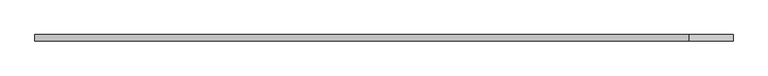
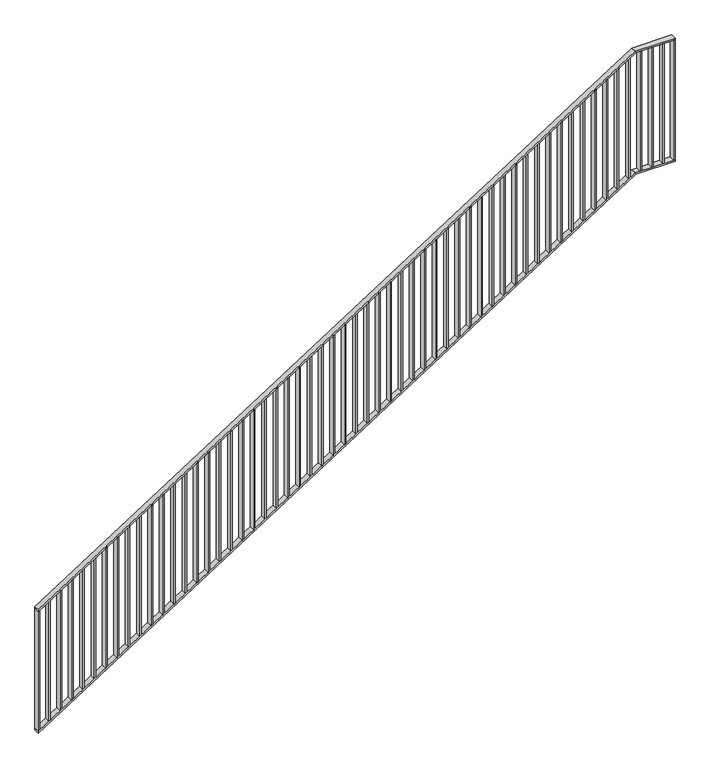
"""IFC4 building model written with IfcOpenShell, lengths in millimetres: railing geometry."""

from ifc_helpers import new_model, si_unit, frame, origin, place, context, project, spatial, polyline, outline, extrude, faceted_brep, source, transform, mapped, element, save


def railing_e92c8401(model_context):
    return source(origin(), model_context, "Body", "SolidModel", [
        faceted_brep([(30020.0, -14.6, 1178.125), (30020.0, 25.4, 1178.125), (30020.0, 25.4, 1166.2576574), (30020.0, -14.6, 1166.2576574), (34201.25, -14.6, 3850.0), (34201.25, 25.4, 3850.0), (34204.1722273, 25.4, 3840.0), (34204.1722273, -14.6, 3840.0), (34480.0, -14.6, 3850.0), (34480.0, -14.6, 3840.0), (34480.0, 25.4, 3840.0), (34480.0, 25.4, 3850.0)], [[[0, 1, 2, 3]], [[1, 0, 4, 5]], [[2, 1, 5, 6]], [[3, 2, 6, 7]], [[0, 3, 7, 4]], [[8, 9, 10, 11]], [[5, 4, 8, 11]], [[6, 5, 11, 10]], [[7, 6, 10, 9]], [[4, 7, 9, 8]]]),
        faceted_brep([(30020.0, -14.6, 278.125), (30020.0, 25.4, 278.125), (30020.0, 25.4, 266.2576574), (30020.0, -14.6, 266.2576574), (34201.25, -14.6, 2950.0), (34201.25, 25.4, 2950.0), (34204.1722273, 25.4, 2940.0), (34204.1722273, -14.6, 2940.0), (34480.0, -14.6, 2950.0), (34480.0, -14.6, 2940.0), (34480.0, 25.4, 2940.0), (34480.0, 25.4, 2950.0)], [[[0, 1, 2, 3]], [[1, 0, 4, 5]], [[2, 1, 5, 6]], [[3, 2, 6, 7]], [[0, 3, 7, 4]], [[8, 9, 10, 11]], [[5, 4, 8, 11]], [[6, 5, 11, 10]], [[7, 6, 10, 9]], [[4, 7, 9, 8]]]),
        extrude(outline(polyline([(34395.3571429, -14.6), (34395.3571429, 25.4), (34405.3571429, 25.4), (34405.3571429, -14.6), (34395.3571429, -14.6)])), frame((0.0, 0.0, 2950.0), z_axis=(0.0, 0.0, 1.0), x_axis=(1.0, 0.0, 0.0)), (0.0, 0.0, 1.0), 890.0),
        extrude(outline(polyline([(34315.7142857, -14.6), (34315.7142857, 25.4), (34325.7142857, 25.4), (34325.7142857, -14.6), (34315.7142857, -14.6)])), frame((0.0, 0.0, 2950.0), z_axis=(0.0, 0.0, 1.0), x_axis=(1.0, 0.0, 0.0)), (0.0, 0.0, 1.0), 890.0),
        extrude(outline(polyline([(34236.0714286, -14.6), (34236.0714286, 25.4), (34246.0714286, 25.4), (34246.0714286, -14.6), (34236.0714286, -14.6)])), frame((0.0, 0.0, 2950.0), z_axis=(0.0, 0.0, 1.0), x_axis=(1.0, 0.0, 0.0)), (0.0, 0.0, 1.0), 890.0),
        extrude(outline(polyline([(3811.3585042, 34156.4285714), (2921.3585042, 34156.4285714), (2927.7486387, 34166.4285714), (3817.7486387, 34166.4285714), (3811.3585042, 34156.4285714)])), frame((0.0, -14.6, 0.0), z_axis=(0.0, 1.0, 0.0), x_axis=(0.0, 0.0, 1.0)), (0.0, 0.0, 1.0), 40.0),
        extrude(outline(polyline([(3760.465647, 34076.7857143), (2870.465647, 34076.7857143), (2876.8557816, 34086.7857143), (3766.8557816, 34086.7857143), (3760.465647, 34076.7857143)])), frame((0.0, -14.6, 0.0), z_axis=(0.0, 1.0, 0.0), x_axis=(0.0, 0.0, 1.0)), (0.0, 0.0, 1.0), 40.0),
        extrude(outline(polyline([(3709.5727899, 33997.1428571), (2819.5727899, 33997.1428571), (2825.9629244, 34007.1428571), (3715.9629244, 34007.1428571), (3709.5727899, 33997.1428571)])), frame((0.0, -14.6, 0.0), z_axis=(0.0, 1.0, 0.0), x_axis=(0.0, 0.0, 1.0)), (0.0, 0.0, 1.0), 40.0),
        extrude(outline(polyline([(3658.6799327, 33917.5), (2768.6799327, 33917.5), (2775.0700673, 33927.5), (3665.0700673, 33927.5), (3658.6799327, 33917.5)])), frame((0.0, -14.6, 0.0), z_axis=(0.0, 1.0, 0.0), x_axis=(0.0, 0.0, 1.0)), (0.0, 0.0, 1.0), 40.0),
        extrude(outline(polyline([(3607.7870756, 33837.8571429), (2717.7870756, 33837.8571429), (2724.1772101, 33847.8571429), (3614.1772101, 33847.8571429), (3607.7870756, 33837.8571429)])), frame((0.0, -14.6, 0.0), z_axis=(0.0, 1.0, 0.0), x_axis=(0.0, 0.0, 1.0)), (0.0, 0.0, 1.0), 40.0),
        extrude(outline(polyline([(3556.8942184, 33758.2142857), (2666.8942184, 33758.2142857), (2673.284353, 33768.2142857), (3563.284353, 33768.2142857), (3556.8942184, 33758.2142857)])), frame((0.0, -14.6, 0.0), z_axis=(0.0, 1.0, 0.0), x_axis=(0.0, 0.0, 1.0)), (0.0, 0.0, 1.0), 40.0),
        extrude(outline(polyline([(3506.0013613, 33678.5714286), (2616.0013613, 33678.5714286), (2622.3914958, 33688.5714286), (3512.3914958, 33688.5714286), (3506.0013613, 33678.5714286)])), frame((0.0, -14.6, 0.0), z_axis=(0.0, 1.0, 0.0), x_axis=(0.0, 0.0, 1.0)), (0.0, 0.0, 1.0), 40.0),
        extrude(outline(polyline([(3455.1085042, 33598.9285714), (2565.1085042, 33598.9285714), (2571.4986387, 33608.9285714), (3461.4986387, 33608.9285714), (3455.1085042, 33598.9285714)])), frame((0.0, -14.6, 0.0), z_axis=(0.0, 1.0, 0.0), x_axis=(0.0, 0.0, 1.0)), (0.0, 0.0, 1.0), 40.0),
        extrude(outline(polyline([(3404.215647, 33519.2857143), (2514.215647, 33519.2857143), (2520.6057816, 33529.2857143), (3410.6057816, 33529.2857143), (3404.215647, 33519.2857143)])), frame((0.0, -14.6, 0.0), z_axis=(0.0, 1.0, 0.0), x_axis=(0.0, 0.0, 1.0)), (0.0, 0.0, 1.0), 40.0),
        extrude(outline(polyline([(3353.3227899, 33439.6428571), (2463.3227899, 33439.6428571), (2469.7129244, 33449.6428571), (3359.7129244, 33449.6428571), (3353.3227899, 33439.6428571)])), frame((0.0, -14.6, 0.0), z_axis=(0.0, 1.0, 0.0), x_axis=(0.0, 0.0, 1.0)), (0.0, 0.0, 1.0), 40.0),
        extrude(outline(polyline([(3302.4299327, 33360.0), (2412.4299327, 33360.0), (2418.8200673, 33370.0), (3308.8200673, 33370.0), (3302.4299327, 33360.0)])), frame((0.0, -14.6, 0.0), z_axis=(0.0, 1.0, 0.0), x_axis=(0.0, 0.0, 1.0)), (0.0, 0.0, 1.0), 40.0),
        extrude(outline(polyline([(3251.5370756, 33280.3571429), (2361.5370756, 33280.3571429), (2367.9272101, 33290.3571429), (3257.9272101, 33290.3571429), (3251.5370756, 33280.3571429)])), frame((0.0, -14.6, 0.0), z_axis=(0.0, 1.0, 0.0), x_axis=(0.0, 0.0, 1.0)), (0.0, 0.0, 1.0), 40.0),
        extrude(outline(polyline([(3200.6442184, 33200.7142857), (2310.6442184, 33200.7142857), (2317.034353, 33210.7142857), (3207.034353, 33210.7142857), (3200.6442184, 33200.7142857)])), frame((0.0, -14.6, 0.0), z_axis=(0.0, 1.0, 0.0), x_axis=(0.0, 0.0, 1.0)), (0.0, 0.0, 1.0), 40.0),
        extrude(outline(polyline([(3149.7513613, 33121.0714286), (2259.7513613, 33121.0714286), (2266.1414958, 33131.0714286), (3156.1414958, 33131.0714286), (3149.7513613, 33121.0714286)])), frame((0.0, -14.6, 0.0), z_axis=(0.0, 1.0, 0.0), x_axis=(0.0, 0.0, 1.0)), (0.0, 0.0, 1.0), 40.0),
        extrude(outline(polyline([(3098.8585042, 33041.4285714), (2208.8585042, 33041.4285714), (2215.2486387, 33051.4285714), (3105.2486387, 33051.4285714), (3098.8585042, 33041.4285714)])), frame((0.0, -14.6, 0.0), z_axis=(0.0, 1.0, 0.0), x_axis=(0.0, 0.0, 1.0)), (0.0, 0.0, 1.0), 40.0),
        extrude(outline(polyline([(3047.965647, 32961.7857143), (2157.965647, 32961.7857143), (2164.3557816, 32971.7857143), (3054.3557816, 32971.7857143), (3047.965647, 32961.7857143)])), frame((0.0, -14.6, 0.0), z_axis=(0.0, 1.0, 0.0), x_axis=(0.0, 0.0, 1.0)), (0.0, 0.0, 1.0), 40.0),
        extrude(outline(polyline([(2997.0727899, 32882.1428571), (2107.0727899, 32882.1428571), (2113.4629244, 32892.1428571), (3003.4629244, 32892.1428571), (2997.0727899, 32882.1428571)])), frame((0.0, -14.6, 0.0), z_axis=(0.0, 1.0, 0.0), x_axis=(0.0, 0.0, 1.0)), (0.0, 0.0, 1.0), 40.0),
        extrude(outline(polyline([(2946.1799327, 32802.5), (2056.1799327, 32802.5), (2062.5700673, 32812.5), (2952.5700673, 32812.5), (2946.1799327, 32802.5)])), frame((0.0, -14.6, 0.0), z_axis=(0.0, 1.0, 0.0), x_axis=(0.0, 0.0, 1.0)), (0.0, 0.0, 1.0), 40.0),
        extrude(outline(polyline([(2895.2870756, 32722.8571429), (2005.2870756, 32722.8571429), (2011.6772101, 32732.8571429), (2901.6772101, 32732.8571429), (2895.2870756, 32722.8571429)])), frame((0.0, -14.6, 0.0), z_axis=(0.0, 1.0, 0.0), x_axis=(0.0, 0.0, 1.0)), (0.0, 0.0, 1.0), 40.0),
        extrude(outline(polyline([(2844.3942184, 32643.2142857), (1954.3942184, 32643.2142857), (1960.784353, 32653.2142857), (2850.784353, 32653.2142857), (2844.3942184, 32643.2142857)])), frame((0.0, -14.6, 0.0), z_axis=(0.0, 1.0, 0.0), x_axis=(0.0, 0.0, 1.0)), (0.0, 0.0, 1.0), 40.0),
        extrude(outline(polyline([(2793.5013613, 32563.5714286), (1903.5013613, 32563.5714286), (1909.8914958, 32573.5714286), (2799.8914958, 32573.5714286), (2793.5013613, 32563.5714286)])), frame((0.0, -14.6, 0.0), z_axis=(0.0, 1.0, 0.0), x_axis=(0.0, 0.0, 1.0)), (0.0, 0.0, 1.0), 40.0),
        extrude(outline(polyline([(2742.6085042, 32483.9285714), (1852.6085042, 32483.9285714), (1858.9986387, 32493.9285714), (2748.9986387, 32493.9285714), (2742.6085042, 32483.9285714)])), frame((0.0, -14.6, 0.0), z_axis=(0.0, 1.0, 0.0), x_axis=(0.0, 0.0, 1.0)), (0.0, 0.0, 1.0), 40.0),
        extrude(outline(polyline([(2691.715647, 32404.2857143), (1801.715647, 32404.2857143), (1808.1057816, 32414.2857143), (2698.1057816, 32414.2857143), (2691.715647, 32404.2857143)])), frame((0.0, -14.6, 0.0), z_axis=(0.0, 1.0, 0.0), x_axis=(0.0, 0.0, 1.0)), (0.0, 0.0, 1.0), 40.0),
        extrude(outline(polyline([(2640.8227899, 32324.6428571), (1750.8227899, 32324.6428571), (1757.2129244, 32334.6428571), (2647.2129244, 32334.6428571), (2640.8227899, 32324.6428571)])), frame((0.0, -14.6, 0.0), z_axis=(0.0, 1.0, 0.0), x_axis=(0.0, 0.0, 1.0)), (0.0, 0.0, 1.0), 40.0),
        extrude(outline(polyline([(2589.9299327, 32245.0), (1699.9299327, 32245.0), (1706.3200673, 32255.0), (2596.3200673, 32255.0), (2589.9299327, 32245.0)])), frame((0.0, -14.6, 0.0), z_axis=(0.0, 1.0, 0.0), x_axis=(0.0, 0.0, 1.0)), (0.0, 0.0, 1.0), 40.0),
        extrude(outline(polyline([(2539.0370756, 32165.3571429), (1649.0370756, 32165.3571429), (1655.4272101, 32175.3571429), (2545.4272101, 32175.3571429), (2539.0370756, 32165.3571429)])), frame((0.0, -14.6, 0.0), z_axis=(0.0, 1.0, 0.0), x_axis=(0.0, 0.0, 1.0)), (0.0, 0.0, 1.0), 40.0),
        extrude(outline(polyline([(2488.1442184, 32085.7142857), (1598.1442184, 32085.7142857), (1604.534353, 32095.7142857), (2494.534353, 32095.7142857), (2488.1442184, 32085.7142857)])), frame((0.0, -14.6, 0.0), z_axis=(0.0, 1.0, 0.0), x_axis=(0.0, 0.0, 1.0)), (0.0, 0.0, 1.0), 40.0),
        extrude(outline(polyline([(2437.2513613, 32006.0714286), (1547.2513613, 32006.0714286), (1553.6414958, 32016.0714286), (2443.6414958, 32016.0714286), (2437.2513613, 32006.0714286)])), frame((0.0, -14.6, 0.0), z_axis=(0.0, 1.0, 0.0), x_axis=(0.0, 0.0, 1.0)), (0.0, 0.0, 1.0), 40.0),
        extrude(outline(polyline([(2386.3585042, 31926.4285714), (1496.3585042, 31926.4285714), (1502.7486387, 31936.4285714), (2392.7486387, 31936.4285714), (2386.3585042, 31926.4285714)])), frame((0.0, -14.6, 0.0), z_axis=(0.0, 1.0, 0.0), x_axis=(0.0, 0.0, 1.0)), (0.0, 0.0, 1.0), 40.0),
        extrude(outline(polyline([(2335.465647, 31846.7857143), (1445.465647, 31846.7857143), (1451.8557816, 31856.7857143), (2341.8557816, 31856.7857143), (2335.465647, 31846.7857143)])), frame((0.0, -14.6, 0.0), z_axis=(0.0, 1.0, 0.0), x_axis=(0.0, 0.0, 1.0)), (0.0, 0.0, 1.0), 40.0),
        extrude(outline(polyline([(2284.5727899, 31767.1428571), (1394.5727899, 31767.1428571), (1400.9629244, 31777.1428571), (2290.9629244, 31777.1428571), (2284.5727899, 31767.1428571)])), frame((0.0, -14.6, 0.0), z_axis=(0.0, 1.0, 0.0), x_axis=(0.0, 0.0, 1.0)), (0.0, 0.0, 1.0), 40.0),
        extrude(outline(polyline([(2233.6799327, 31687.5), (1343.6799327, 31687.5), (1350.0700673, 31697.5), (2240.0700673, 31697.5), (2233.6799327, 31687.5)])), frame((0.0, -14.6, 0.0), z_axis=(0.0, 1.0, 0.0), x_axis=(0.0, 0.0, 1.0)), (0.0, 0.0, 1.0), 40.0),
        extrude(outline(polyline([(2182.7870756, 31607.8571429), (1292.7870756, 31607.8571429), (1299.1772101, 31617.8571429), (2189.1772101, 31617.8571429), (2182.7870756, 31607.8571429)])), frame((0.0, -14.6, 0.0), z_axis=(0.0, 1.0, 0.0), x_axis=(0.0, 0.0, 1.0)), (0.0, 0.0, 1.0), 40.0),
        extrude(outline(polyline([(2131.8942184, 31528.2142857), (1241.8942184, 31528.2142857), (1248.284353, 31538.2142857), (2138.284353, 31538.2142857), (2131.8942184, 31528.2142857)])), frame((0.0, -14.6, 0.0), z_axis=(0.0, 1.0, 0.0), x_axis=(0.0, 0.0, 1.0)), (0.0, 0.0, 1.0), 40.0),
        extrude(outline(polyline([(2081.0013613, 31448.5714286), (1191.0013613, 31448.5714286), (1197.3914958, 31458.5714286), (2087.3914958, 31458.5714286), (2081.0013613, 31448.5714286)])), frame((0.0, -14.6, 0.0), z_axis=(0.0, 1.0, 0.0), x_axis=(0.0, 0.0, 1.0)), (0.0, 0.0, 1.0), 40.0),
        extrude(outline(polyline([(2030.1085042, 31368.9285714), (1140.1085042, 31368.9285714), (1146.4986387, 31378.9285714), (2036.4986387, 31378.9285714), (2030.1085042, 31368.9285714)])), frame((0.0, -14.6, 0.0), z_axis=(0.0, 1.0, 0.0), x_axis=(0.0, 0.0, 1.0)), (0.0, 0.0, 1.0), 40.0),
        extrude(outline(polyline([(1979.215647, 31289.2857143), (1089.215647, 31289.2857143), (1095.6057816, 31299.2857143), (1985.6057816, 31299.2857143), (1979.215647, 31289.2857143)])), frame((0.0, -14.6, 0.0), z_axis=(0.0, 1.0, 0.0), x_axis=(0.0, 0.0, 1.0)), (0.0, 0.0, 1.0), 40.0),
        extrude(outline(polyline([(1928.3227899, 31209.6428571), (1038.3227899, 31209.6428571), (1044.7129244, 31219.6428571), (1934.7129244, 31219.6428571), (1928.3227899, 31209.6428571)])), frame((0.0, -14.6, 0.0), z_axis=(0.0, 1.0, 0.0), x_axis=(0.0, 0.0, 1.0)), (0.0, 0.0, 1.0), 40.0),
        extrude(outline(polyline([(1877.4299327, 31130.0), (987.4299327, 31130.0), (993.8200673, 31140.0), (1883.8200673, 31140.0), (1877.4299327, 31130.0)])), frame((0.0, -14.6, 0.0), z_axis=(0.0, 1.0, 0.0), x_axis=(0.0, 0.0, 1.0)), (0.0, 0.0, 1.0), 40.0),
        extrude(outline(polyline([(1826.5370756, 31050.3571429), (936.5370756, 31050.3571429), (942.9272101, 31060.3571429), (1832.9272101, 31060.3571429), (1826.5370756, 31050.3571429)])), frame((0.0, -14.6, 0.0), z_axis=(0.0, 1.0, 0.0), x_axis=(0.0, 0.0, 1.0)), (0.0, 0.0, 1.0), 40.0),
        extrude(outline(polyline([(1775.6442184, 30970.7142857), (885.6442184, 30970.7142857), (892.034353, 30980.7142857), (1782.034353, 30980.7142857), (1775.6442184, 30970.7142857)])), frame((0.0, -14.6, 0.0), z_axis=(0.0, 1.0, 0.0), x_axis=(0.0, 0.0, 1.0)), (0.0, 0.0, 1.0), 40.0),
        extrude(outline(polyline([(1724.7513613, 30891.0714286), (834.7513613, 30891.0714286), (841.1414958, 30901.0714286), (1731.1414958, 30901.0714286), (1724.7513613, 30891.0714286)])), frame((0.0, -14.6, 0.0), z_axis=(0.0, 1.0, 0.0), x_axis=(0.0, 0.0, 1.0)), (0.0, 0.0, 1.0), 40.0),
        extrude(outline(polyline([(1673.8585042, 30811.4285714), (783.8585042, 30811.4285714), (790.2486387, 30821.4285714), (1680.2486387, 30821.4285714), (1673.8585042, 30811.4285714)])), frame((0.0, -14.6, 0.0), z_axis=(0.0, 1.0, 0.0), x_axis=(0.0, 0.0, 1.0)), (0.0, 0.0, 1.0), 40.0),
        extrude(outline(polyline([(1622.965647, 30731.7857143), (732.965647, 30731.7857143), (739.3557816, 30741.7857143), (1629.3557816, 30741.7857143), (1622.965647, 30731.7857143)])), frame((0.0, -14.6, 0.0), z_axis=(0.0, 1.0, 0.0), x_axis=(0.0, 0.0, 1.0)), (0.0, 0.0, 1.0), 40.0),
        extrude(outline(polyline([(1572.0727899, 30652.1428571), (682.0727899, 30652.1428571), (688.4629244, 30662.1428571), (1578.4629244, 30662.1428571), (1572.0727899, 30652.1428571)])), frame((0.0, -14.6, 0.0), z_axis=(0.0, 1.0, 0.0), x_axis=(0.0, 0.0, 1.0)), (0.0, 0.0, 1.0), 40.0),
        extrude(outline(polyline([(1521.1799327, 30572.5), (631.1799327, 30572.5), (637.5700673, 30582.5), (1527.5700673, 30582.5), (1521.1799327, 30572.5)])), frame((0.0, -14.6, 0.0), z_axis=(0.0, 1.0, 0.0), x_axis=(0.0, 0.0, 1.0)), (0.0, 0.0, 1.0), 40.0),
        extrude(outline(polyline([(1470.2870756, 30492.8571429), (580.2870756, 30492.8571429), (586.6772101, 30502.8571429), (1476.6772101, 30502.8571429), (1470.2870756, 30492.8571429)])), frame((0.0, -14.6, 0.0), z_axis=(0.0, 1.0, 0.0), x_axis=(0.0, 0.0, 1.0)), (0.0, 0.0, 1.0), 40.0),
        extrude(outline(polyline([(1419.3942184, 30413.2142857), (529.3942184, 30413.2142857), (535.784353, 30423.2142857), (1425.784353, 30423.2142857), (1419.3942184, 30413.2142857)])), frame((0.0, -14.6, 0.0), z_axis=(0.0, 1.0, 0.0), x_axis=(0.0, 0.0, 1.0)), (0.0, 0.0, 1.0), 40.0),
        extrude(outline(polyline([(1368.5013613, 30333.5714286), (478.5013613, 30333.5714286), (484.8914958, 30343.5714286), (1374.8914958, 30343.5714286), (1368.5013613, 30333.5714286)])), frame((0.0, -14.6, 0.0), z_axis=(0.0, 1.0, 0.0), x_axis=(0.0, 0.0, 1.0)), (0.0, 0.0, 1.0), 40.0),
        extrude(outline(polyline([(1317.6085042, 30253.9285714), (427.6085042, 30253.9285714), (433.9986387, 30263.9285714), (1323.9986387, 30263.9285714), (1317.6085042, 30253.9285714)])), frame((0.0, -14.6, 0.0), z_axis=(0.0, 1.0, 0.0), x_axis=(0.0, 0.0, 1.0)), (0.0, 0.0, 1.0), 40.0),
        extrude(outline(polyline([(1266.715647, 30174.2857143), (376.715647, 30174.2857143), (383.1057816, 30184.2857143), (1273.1057816, 30184.2857143), (1266.715647, 30174.2857143)])), frame((0.0, -14.6, 0.0), z_axis=(0.0, 1.0, 0.0), x_axis=(0.0, 0.0, 1.0)), (0.0, 0.0, 1.0), 40.0),
        extrude(outline(polyline([(1215.8227899, 30094.6428571), (325.8227899, 30094.6428571), (332.2129244, 30104.6428571), (1222.2129244, 30104.6428571), (1215.8227899, 30094.6428571)])), frame((0.0, -14.6, 0.0), z_axis=(0.0, 1.0, 0.0), x_axis=(0.0, 0.0, 1.0)), (0.0, 0.0, 1.0), 40.0),
        extrude(outline(polyline([(34470.0, -14.6), (34470.0, 25.4), (34480.0, 25.4), (34480.0, -14.6), (34470.0, -14.6)])), frame((0.0, 0.0, 2950.0), z_axis=(0.0, 0.0, 1.0), x_axis=(1.0, 0.0, 0.0)), (0.0, 0.0, 1.0), 890.0),
        extrude(outline(polyline([(1168.125, 30020.0), (278.125, 30020.0), (284.5151345, 30030.0), (1174.5151345, 30030.0), (1168.125, 30020.0)])), frame((0.0, -14.6, 0.0), z_axis=(0.0, 1.0, 0.0), x_axis=(0.0, 0.0, 1.0)), (0.0, 0.0, 1.0), 40.0),
    ])


if __name__ == "__main__":
    model = new_model("IFC4")
    model_context = context("Model", 3, world=origin())
    ifc_project = project(units=[si_unit("LENGTHUNIT", "METRE", prefix="MILLI")], contexts=[model_context])
    site = spatial("IfcSite", under=ifc_project)
    building = spatial("IfcBuilding", under=site)
    placement = place(None, origin())
    railing_shape = railing_e92c8401(model_context)
    element("IfcRailing", 1, at=placement, inside=building, context=model_context, shape_type="MappedRepresentation", body=[
        mapped(railing_shape, transform((0.0, 0.0, 0.0), x_axis=(1.0, 0.0, 0.0), y_axis=(0.0, 1.0, 0.0), z_axis=(0.0, 0.0, 1.0))),
    ])
    save(model, "model.ifc")
